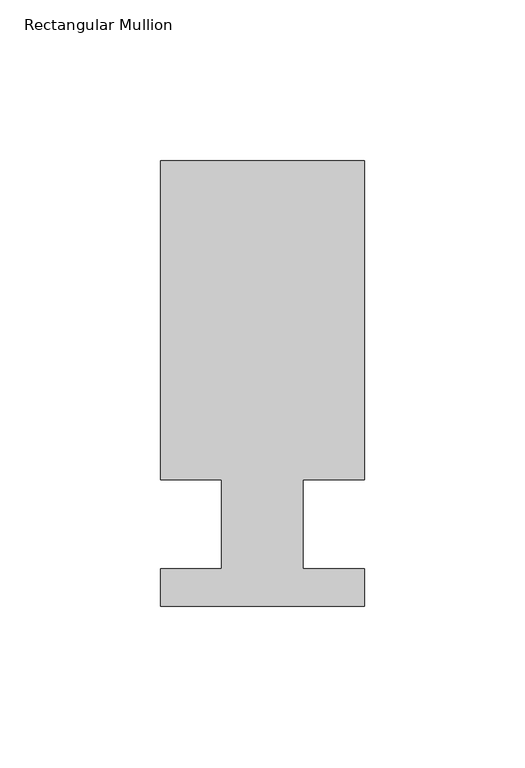
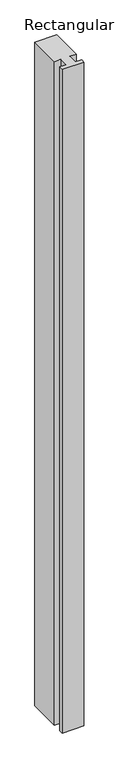
"""IFC4 building model written with IfcOpenShell, lengths in millimetres: member geometry, Rectangular Mullion."""

from ifc_helpers import new_model, si_unit, frame, origin, place, context, project, spatial, polyline, outline, extrude, source, transform, mapped, element, save


def rectangular_mullion_9c0dd277(model_context):
    return source(origin(), model_context, "Body", "SweptSolid", [
        extrude(outline(polyline([(31.75, 39.3898438), (12.7, 39.3898438), (12.7, 11.7038437), (31.75, 11.7038437), (31.75, 0.0219696), (-31.75, 0.0219696), (-31.75, 11.7038437), (-12.7, 11.7038437), (-12.7, 39.3898438), (-31.75, 39.3898438), (-31.75, 138.7038437), (31.75, 138.7038437), (31.75, 39.3898438)])), frame((0.0, 0.0, -2057.4000001), z_axis=(0.0, 0.0, 1.0), x_axis=(1.0, 0.0, 0.0)), (0.0, 0.0, 1.0), 2057.4000001),
    ])


if __name__ == "__main__":
    model = new_model("IFC4")
    model_context = context("Model", 3, world=origin())
    ifc_project = project(units=[si_unit("LENGTHUNIT", "METRE", prefix="MILLI")], contexts=[model_context])
    site = spatial("IfcSite", under=ifc_project)
    building = spatial("IfcBuilding", under=site)
    placement = place(None, origin())
    rectangular_mullion_shape = rectangular_mullion_9c0dd277(model_context)
    element("IfcMember", 1, ObjectType="Rectangular Mullion", at=placement, inside=building, context=model_context, shape_type="MappedRepresentation", body=[
        mapped(rectangular_mullion_shape, transform((0.0, 0.0, 0.0), x_axis=(1.0, 0.0, 0.0), y_axis=(0.0, 1.0, 0.0), z_axis=(0.0, 0.0, 1.0))),
    ])
    save(model, "model.ifc")
